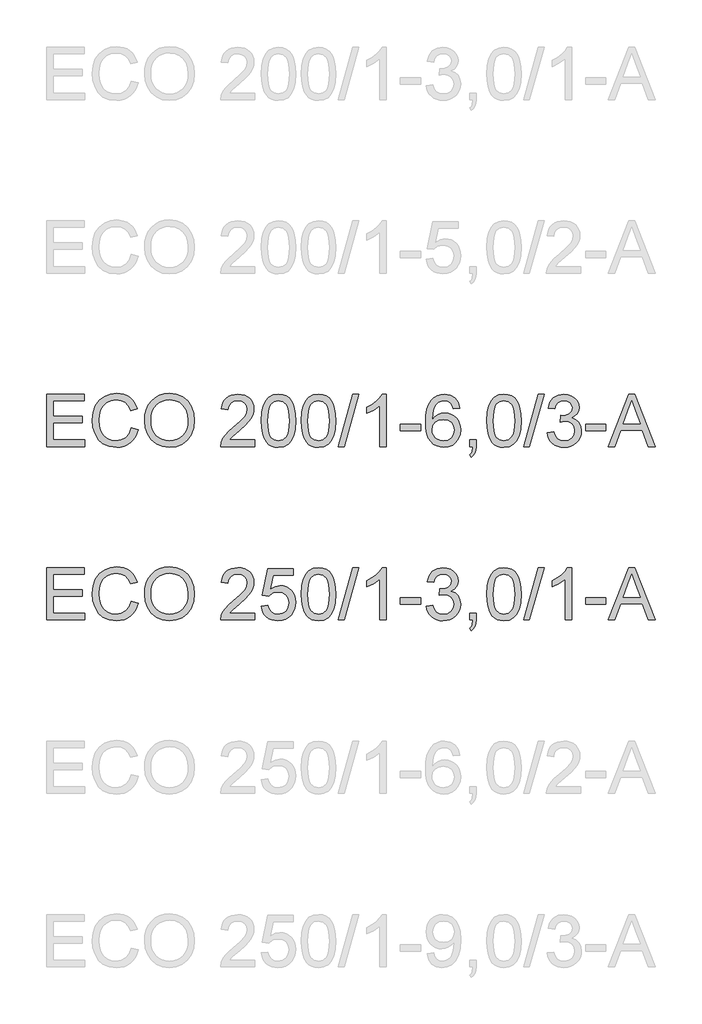
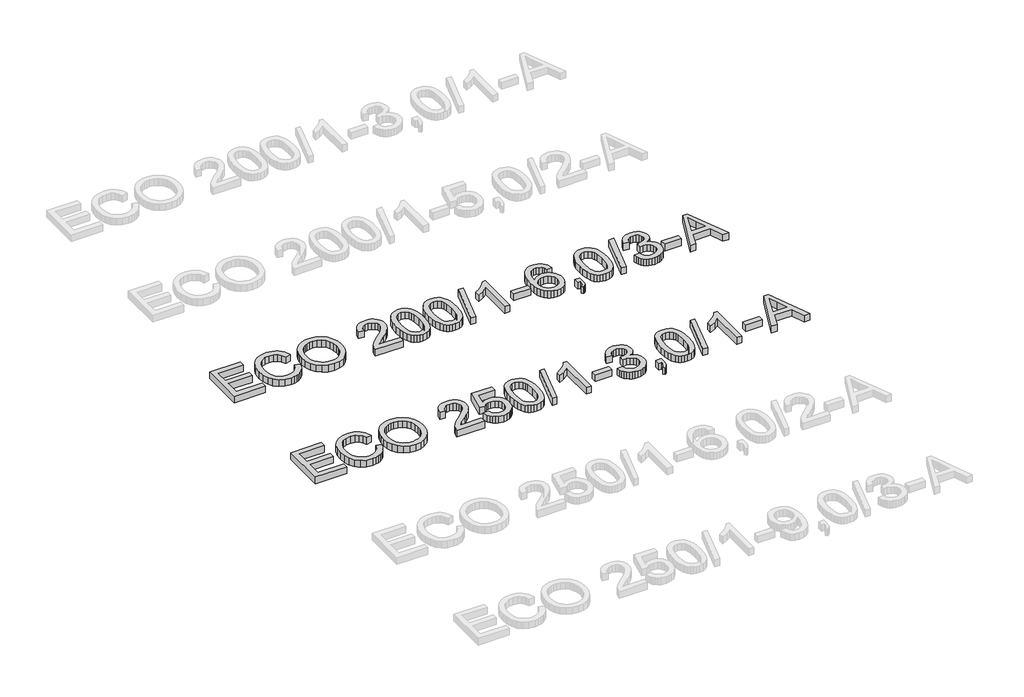
# One storey, part 31 of 74: 2 proxies.
"""IFC4 building model written with IfcOpenShell, lengths in millimetres."""

import ifcopenshell
import ifcopenshell.guid

model = None  # the IFC model being written
_history = None  # IfcOwnerHistory: only IFC2X3 demands one
_inside = {}  # id of a spatial element -> (the spatial element, [elements in it])
_under = {}  # id of a project, library or spatial element -> (it, [spatial elements below it])
_declared = {}  # id of a project -> (the project, [libraries it declares])
_typed = {}  # id of a type object -> (the type object, [elements of that type])
_made_of = {}  # id of a material, layer set ... -> (it, [elements and type objects made of it])


def new_model(schema):
    """Start an empty IFC model of exactly this schema.

    Asked for "IFC4X3", IfcOpenShell would pick the latest addendum, in which some entities
    have other attributes; the version numbers below select the first issue.
    IFC2X3 requires an IfcOwnerHistory on every rooted entity: one is made here for all.
    """
    global model, _history
    if schema == "IFC4X3":
        model = ifcopenshell.file(schema_version=(4, 3, 0, 0))
    else:
        model = ifcopenshell.file(schema=schema)
    _inside.clear()
    _under.clear()
    _declared.clear()
    _typed.clear()
    _made_of.clear()
    _history = None
    if model.schema == "IFC2X3":
        org = make("IfcOrganization", Name="unknown")
        user = make(
            "IfcPersonAndOrganization",
            ThePerson=make("IfcPerson", FamilyName="unknown"),
            TheOrganization=org,
        )
        app = make(
            "IfcApplication",
            ApplicationDeveloper=org,
            Version="unknown",
            ApplicationFullName="unknown",
            ApplicationIdentifier="unknown",
        )
        _history = make(
            "IfcOwnerHistory",
            OwningUser=user,
            OwningApplication=app,
            ChangeAction="ADDED",
            CreationDate=0,
        )
    return model


def make(cls, **values):
    """One entity of the class cls with the attributes given. An attribute that is None is left unset."""
    return model.create_entity(
        cls, **{name: value for name, value in values.items() if value is not None}
    )


def rooted(cls, **values):
    """An entity with a GlobalId (a new one), such as an element, a storey or a relation."""
    return make(cls, GlobalId=ifcopenshell.guid.new(), OwnerHistory=_history, **values)


def si_unit(unit_type, name, prefix=None):
    """IfcSIUnit, for example si_unit("LENGTHUNIT", "METRE", prefix="MILLI")."""
    return make("IfcSIUnit", UnitType=unit_type, Prefix=prefix, Name=name)


def assignment(units):
    """IfcUnitAssignment: the units of a project."""
    return None if units is None else make("IfcUnitAssignment", Units=units)


def point(xyz):
    """IfcCartesianPoint."""
    return None if xyz is None else make("IfcCartesianPoint", Coordinates=xyz)


def direction(xyz):
    """IfcDirection."""
    return None if xyz is None else make("IfcDirection", DirectionRatios=xyz)


def frame(location, z_axis=None, x_axis=None):
    """IfcAxis2Placement3D, a coordinate frame: its origin and axes. An axis left out is left unset."""
    return make(
        "IfcAxis2Placement3D",
        Location=point(location),
        Axis=direction(z_axis),
        RefDirection=direction(x_axis),
    )


def origin():
    """The frame at (0, 0, 0) with its axes left unset."""
    return frame((0.0, 0.0, 0.0))


def origin_with_axes():
    """The frame at (0, 0, 0) with the z axis (0, 0, 1) and the x axis (1, 0, 0) written out."""
    return frame((0.0, 0.0, 0.0), z_axis=(0.0, 0.0, 1.0), x_axis=(1.0, 0.0, 0.0))


def place(relative_to, where):
    """IfcLocalPlacement: puts the frame where relative to a parent placement (None: the world)."""
    return make(
        "IfcLocalPlacement", PlacementRelTo=relative_to, RelativePlacement=where
    )


def context(
    kind, dimensions, precision=None, world=None, true_north=None, identifier=None
):
    """IfcGeometricRepresentationContext, for example the 3D "Model" context."""
    return make(
        "IfcGeometricRepresentationContext",
        ContextIdentifier=identifier,
        ContextType=kind,
        CoordinateSpaceDimension=dimensions,
        Precision=precision,
        WorldCoordinateSystem=world,
        TrueNorth=true_north,
    )


def project(units=None, contexts=None):
    """IfcProject with its units and contexts."""
    return rooted(
        "IfcProject",
        Name="project",
        RepresentationContexts=contexts,
        UnitsInContext=assignment(units),
    )


def spatial(cls, under=None, at=None, **own):
    """A site, building, storey or space (cls), placed at a placement, below another one or the project."""
    s = rooted(cls, ObjectPlacement=at, **own)
    if under is not None:
        _under.setdefault(under.id(), (under, []))[1].append(s)
    return s


def polyline(points):
    """IfcPolyline through the points."""
    return make("IfcPolyline", Points=[point(p) for p in points])


def outline(outer, holes=None, kind="AREA"):
    """IfcArbitraryClosedProfileDef: a profile drawn as a closed curve; with holes, ...WithVoids."""
    if holes is None:
        return make("IfcArbitraryClosedProfileDef", ProfileType=kind, OuterCurve=outer)
    return make(
        "IfcArbitraryProfileDefWithVoids",
        ProfileType=kind,
        OuterCurve=outer,
        InnerCurves=holes,
    )


def extrude(swept, where, along, depth):
    """IfcExtrudedAreaSolid: the profile swept, set in the frame where, extruded along a direction by depth."""
    return make(
        "IfcExtrudedAreaSolid",
        SweptArea=swept,
        Position=where,
        ExtrudedDirection=direction(along),
        Depth=depth,
    )


def shape(context_of_items, identifier, shape_type, items):
    """IfcShapeRepresentation: the items that make up one representation, for example the "Body"."""
    return make(
        "IfcShapeRepresentation",
        ContextOfItems=context_of_items,
        RepresentationIdentifier=identifier,
        RepresentationType=shape_type,
        Items=items,
    )


def made_of(thing, what):
    """Note that an element or type object is made of a material, layer set ...; save() writes the relation."""
    if what is not None:
        _made_of.setdefault(what.id(), (what, []))[1].append(thing)
    return thing


def element(
    cls,
    number,
    at=None,
    inside=None,
    cuts=None,
    type_object=None,
    material=None,
    context=None,
    identifier="Body",
    shape_type=None,
    held_by="IfcProductDefinitionShape",
    body=None,
    shapes=None,
    **own,
):
    """One element of the class cls, such as IfcWall. Its Tag is "e" and its number.

    at: its placement. inside: the storey or other place that contains it. cuts: it is an
    opening in that element (IfcRelVoidsElement). A single representation is given by context,
    identifier, shape_type and body (its items); several are given by shapes. held_by: the class
    of the entity that holds the representations. save() writes the other relations.
    """
    e = rooted(cls, Tag="e%d" % number, ObjectPlacement=at, **own)
    if body is not None:
        shapes = [shape(context, identifier, shape_type, body)]
    if shapes is not None:
        e.Representation = make(held_by, Representations=shapes)
    if inside is not None:
        _inside.setdefault(inside.id(), (inside, []))[1].append(e)
    if cuts is not None:
        rooted(
            "IfcRelVoidsElement", RelatingBuildingElement=cuts, RelatedOpeningElement=e
        )
    if type_object is not None:
        _typed.setdefault(type_object.id(), (type_object, []))[1].append(e)
    return made_of(e, material)


def aggregate(whole, parts):
    """IfcRelAggregates: a whole, such as a stair, and the parts it consists of."""
    return rooted("IfcRelAggregates", RelatingObject=whole, RelatedObjects=parts)


def save(model, path):
    """Write the relations noted so far, then the file.

    IfcRelAggregates (storeys below a building ...), IfcRelContainedInSpatialStructure (elements
    in a storey), IfcRelDefinesByType, IfcRelAssociatesMaterial and IfcRelDeclares: one each for
    every whole, place, type object, material and project.
    """
    for whole, parts in _under.values():
        aggregate(whole, parts)
    for where, things in _inside.values():
        rooted(
            "IfcRelContainedInSpatialStructure",
            RelatedElements=things,
            RelatingStructure=where,
        )
    for kind, things in _typed.values():
        rooted("IfcRelDefinesByType", RelatedObjects=things, RelatingType=kind)
    for what, things in _made_of.values():
        rooted("IfcRelAssociatesMaterial", RelatedObjects=things, RelatingMaterial=what)
    for by, libraries in _declared.values():
        rooted("IfcRelDeclares", RelatingContext=by, RelatedDefinitions=libraries)
    model.write(path)


model = new_model("IFC4")

# Units and contexts
model_context = context("Model", 3, world=origin())
ifc_project = project(units=[si_unit("LENGTHUNIT", "METRE", prefix="MILLI")], contexts=[model_context])

# Site, building, storey
site = spatial("IfcSite", under=ifc_project)
building = spatial("IfcBuilding", under=site)
storey = spatial("IfcBuildingStorey", under=building, Elevation=0.0)

# Proxies
placement = place(None, origin())
element("IfcBuildingElementProxy", 1, Name="Generic Models", at=placement, inside=storey, context=model_context, shape_type="SweptSolid", body=[
    extrude(outline(polyline([(11765.719536, -9906.2904473), (11765.719536, -9604.9215169), (11982.3284547, -9604.9215169), (11982.3284547, -9642.5926332), (11803.3906523, -9642.5926332), (11803.3906523, -9732.0615344), (11972.9106757, -9732.0615344), (11972.9106757, -9769.7326507), (11803.3906523, -9769.7326507), (11803.3906523, -9868.619331), (11987.0373443, -9868.619331), (11987.0373443, -9906.2904473), (11765.719536, -9906.2904473)])), origin_with_axes(), (0.0, 0.0, 1.0), 50.0),
    extrude(outline(polyline([(12255.444048, -9799.1632103), (12293.1151643, -9808.875295), (12285.6609553, -9832.3024803), (12275.73274, -9852.7728141), (12263.3305182, -9870.2862963), (12248.4542901, -9884.842927), (12231.4397478, -9896.2863563), (12212.6225837, -9904.4602344), (12192.0027979, -9909.3645613), (12169.5803903, -9910.9993369), (12125.8852063, -9906.051324), (12091.1847371, -9891.2072855), (12064.5868689, -9866.9822562), (12045.1994877, -9833.8912707), (12033.3628845, -9794.9877497), (12029.4173501, -9753.3251137), (12033.8779193, -9709.3816094), (12047.2596269, -9671.4345816), (12068.8634971, -9640.6888439), (12097.990554, -9618.3492097), (12132.5346734, -9604.7467729), (12170.3897307, -9600.2126274), (12211.6936817, -9606.0803452), (12229.6624179, -9613.4149925), (12245.8423279, -9623.6834986), (12259.9666972, -9636.6145508), (12271.7688115, -9651.9368359), (12288.4062747, -9689.755105), (12250.7351584, -9698.7314257), (12237.6753476, -9671.2598377), (12219.8330708, -9652.4150825), (12196.9875989, -9641.5165784), (12168.9182027, -9637.8837437), (12136.5629812, -9641.9120515), (12109.9835071, -9653.996975), (12089.8143767, -9672.8693214), (12076.6901865, -9697.2598977), (12069.4888964, -9724.8326532), (12067.0884664, -9753.2515373), (12069.9303548, -9788.0531741), (12078.4560201, -9818.1459213), (12092.9873589, -9842.3801477), (12113.846268, -9859.6062222), (12138.8530466, -9869.897721), (12165.8279939, -9873.3282206), (12197.2727075, -9868.6561192), (12223.4751026, -9854.6398152), (12243.2579569, -9831.4264613), (12255.444048, -9799.1632103)])), origin_with_axes(), (0.0, 0.0, 1.0), 50.0),
    extrude(outline(polyline([(12330.7862806, -9759.5791077), (12333.2970752, -9724.2302465), (12340.829459, -9692.9372842), (12353.3834321, -9665.700221), (12370.9589944, -9642.5190568), (12392.5030838, -9624.0099939), (12416.9626379, -9610.7892347), (12444.3376569, -9602.8567792), (12474.6281407, -9600.2126274), (12514.1570611, -9605.1790343), (12549.6024913, -9620.0782551), (12579.0330509, -9643.8618261), (12600.5173594, -9675.4812836), (12613.6507467, -9713.4099173), (12618.0285424, -9756.1210169), (12613.4208204, -9799.4023336), (12599.5976544, -9837.8643962), (12577.3223996, -9869.539036), (12547.3584111, -9892.4580843), (12512.2164835, -9906.3640237), (12474.4074115, -9910.9993369), (12434.2714858, -9905.8765801), (12398.6237205, -9890.5083097), (12369.2667373, -9866.2832804), (12348.0031579, -9834.5902465), (12335.0904999, -9798.1239437), (12330.7862806, -9759.5791077)]), holes=[polyline([(12368.4573969, -9759.9469897), (12370.3404928, -9784.9215786), (12375.9897807, -9807.0910673), (12385.4052605, -9826.4554559), (12398.5869323, -9843.0147442), (12414.6104924, -9856.2768901), (12432.5516375, -9865.7498515), (12452.4103674, -9871.4336283), (12474.1866823, -9873.3282206), (12496.3354777, -9871.4152342), (12516.4287324, -9865.6762751), (12534.4664465, -9856.1113432), (12550.4486199, -9842.7204386), (12563.5337226, -9825.8116624), (12572.8802245, -9805.6931158), (12578.4881257, -9782.3647987), (12580.3574261, -9755.8267113), (12577.1568527, -9722.4782085), (12567.5551327, -9693.6546541), (12551.8005862, -9670.0826153), (12530.1415338, -9652.4886589), (12504.0127151, -9641.5349725), (12474.8488699, -9637.8837437), (12453.8290124, -9639.6426794), (12434.3266681, -9644.9194868), (12416.3418371, -9653.7141658), (12399.8745193, -9666.0267163), (12386.1295282, -9682.4503481), (12376.3116775, -9703.5782709), (12370.420967, -9729.4104848), (12368.4573969, -9759.9469897)])]), origin_with_axes(), (0.0, 0.0, 1.0), 50.0),
    extrude(outline(polyline([(12966.4863682, -9868.619331), (12966.4863682, -9906.2904473), (12768.7130076, -9906.2904473), (12772.7597096, -9880.3179785), (12782.04873, -9860.0200894), (12795.6419697, -9840.3292056), (12815.3052623, -9819.7186168), (12842.8044415, -9796.6616128), (12883.4554019, -9760.553995), (12907.8459782, -9733.9009444), (12920.0412663, -9712.2694831), (12924.1063624, -9691.226633), (12920.2711926, -9672.3634837), (12908.7656832, -9656.6825136), (12891.0797563, -9646.1151033), (12868.7033339, -9642.5926332), (12845.2048715, -9646.0323299), (12826.9487275, -9656.3514198), (12815.1673066, -9672.7405627), (12811.0930135, -9694.3904181), (12773.4218972, -9689.6815286), (12782.5545677, -9653.242817), (12791.1009263, -9638.7068796), (12802.3006338, -9626.6265546), (12815.8961728, -9617.1306006), (12831.6300259, -9610.3477763), (12869.5126743, -9604.9215169), (12889.7024981, -9606.4298331), (12907.6712343, -9610.9547816), (12923.4188829, -9618.4963625), (12936.945444, -9629.0545758), (12947.8094592, -9641.8476722), (12955.56947, -9656.0939024), (12960.2254765, -9671.7932666), (12961.7774787, -9688.9457646), (12960.1036156, -9706.9627853), (12955.0820264, -9724.6671063), (12946.1700851, -9742.67493), (12932.8251657, -9761.6024586), (12911.5523893, -9784.1996102), (12878.856877, -9813.2163026), (12835.520378, -9849.4526791), (12818.5242298, -9868.619331), (12966.4863682, -9868.619331)])), origin_with_axes(), (0.0, 0.0, 1.0), 50.0),
    extrude(outline(polyline([(13004.1574845, -9758.0340033), (13006.9257966, -9709.7954767), (13015.2307326, -9671.324217), (13028.9895192, -9642.0316132), (13048.119383, -9621.3290539), (13072.7582796, -9609.0234011), (13103.0441648, -9604.9215169), (13126.2575187, -9607.3495381), (13147.0428515, -9614.6336016), (13164.4252757, -9626.4885989), (13177.4299043, -9642.6294214), (13187.2523535, -9662.9181134), (13195.08824, -9687.2167192), (13200.2201939, -9718.0728216), (13201.9308451, -9758.0340033), (13199.1901243, -9805.9966184), (13190.9679617, -9844.3759076), (13177.2919485, -9873.6961026), (13158.1896759, -9894.4814353), (13133.495597, -9906.8698615), (13103.0441648, -9910.9993369), (13082.2956203, -9909.2059122), (13063.9015206, -9903.825638), (13047.8618656, -9894.8585143), (13034.1766553, -9882.3045413), (13021.0432681, -9859.6108207), (13011.6622772, -9831.3344908), (13006.0336827, -9797.4755517), (13004.1574845, -9758.0340033)]), holes=[polyline([(13041.8286008, -9757.9604269), (13046.2431848, -9817.2170193), (13051.7614147, -9837.4850179), (13059.4869366, -9851.5128183), (13079.2054116, -9867.87437), (13103.0441648, -9873.3282206), (13126.8829181, -9867.8559759), (13146.6013931, -9851.4392419), (13154.326915, -9837.3884489), (13159.8451449, -9817.1250488), (13164.2597288, -9757.9604269), (13159.9922977, -9700.0374067), (13154.6580088, -9679.8360867), (13147.1900043, -9665.4748933), (13127.5083175, -9648.3131982), (13102.6027065, -9642.5926332), (13079.0214706, -9647.6326165), (13060.0755478, -9662.7525665), (13052.0925085, -9678.3875513), (13046.3903376, -9699.4671897), (13041.8286008, -9757.9604269)])]), origin_with_axes(), (0.0, 0.0, 1.0), 50.0),
    extrude(outline(polyline([(13234.8930719, -9758.0340033), (13237.6613839, -9709.7954767), (13245.96632, -9671.324217), (13259.7251066, -9642.0316132), (13278.8549703, -9621.3290539), (13303.493867, -9609.0234011), (13333.7797522, -9604.9215169), (13356.9931061, -9607.3495381), (13377.7784388, -9614.6336016), (13395.1608631, -9626.4885989), (13408.1654916, -9642.6294214), (13417.9879409, -9662.9181134), (13425.8238274, -9687.2167192), (13430.9557812, -9718.0728216), (13432.6664325, -9758.0340033), (13429.9257117, -9805.9966184), (13421.7035491, -9844.3759076), (13408.0275359, -9873.6961026), (13388.9252633, -9894.4814353), (13364.2311844, -9906.8698615), (13333.7797522, -9910.9993369), (13313.0312077, -9909.2059122), (13294.6371079, -9903.825638), (13278.5974529, -9894.8585143), (13264.9122427, -9882.3045413), (13251.7788555, -9859.6108207), (13242.3978646, -9831.3344908), (13236.7692701, -9797.4755517), (13234.8930719, -9758.0340033)]), holes=[polyline([(13272.5641882, -9757.9604269), (13276.9787722, -9817.2170193), (13282.4970021, -9837.4850179), (13290.222524, -9851.5128183), (13309.9409989, -9867.87437), (13333.7797522, -9873.3282206), (13357.6185055, -9867.8559759), (13377.3369805, -9851.4392419), (13385.0625023, -9837.3884489), (13390.5807323, -9817.1250488), (13394.9953162, -9757.9604269), (13390.7278851, -9700.0374067), (13385.3935961, -9679.8360867), (13377.9255916, -9665.4748933), (13358.2439049, -9648.3131982), (13333.3382938, -9642.5926332), (13309.7570579, -9647.6326165), (13290.8111352, -9662.7525665), (13282.8280959, -9678.3875513), (13277.125925, -9699.4671897), (13272.5641882, -9757.9604269)])]), origin_with_axes(), (0.0, 0.0, 1.0), 50.0),
    extrude(outline(polyline([(13446.7931011, -9906.2904473), (13531.5531128, -9604.9215169), (13565.5454092, -9604.9215169), (13480.7853975, -9906.2904473), (13446.7931011, -9906.2904473)])), origin_with_axes(), (0.0, 0.0, 1.0), 50.0),
    extrude(outline(polyline([(13724.6175839, -9906.2904473), (13686.9464676, -9906.2904473), (13686.9464676, -9671.4345816), (13651.2619141, -9696.8552275), (13611.604235, -9715.8747266), (13611.604235, -9680.2637495), (13641.1911444, -9664.1689122), (13666.8233225, -9645.0206544), (13687.029241, -9624.6583859), (13700.3373722, -9604.9215169), (13724.6175839, -9604.9215169), (13724.6175839, -9906.2904473)])), origin_with_axes(), (0.0, 0.0, 1.0), 50.0),
    extrude(outline(polyline([(13804.668706, -9816.8215461), (13804.668706, -9779.1504298), (13922.3909445, -9779.1504298), (13922.3909445, -9816.8215461), (13804.668706, -9816.8215461)])), origin_with_axes(), (0.0, 0.0, 1.0), 50.0),
    extrude(outline(polyline([(14148.4176423, -9684.972639), (14110.746526, -9689.6815286), (14104.6764731, -9671.0115173), (14096.4727046, -9658.2644062), (14079.3845859, -9646.5105764), (14058.7280119, -9642.5926332), (14041.2168289, -9644.8735016), (14024.7357156, -9651.7161067), (14010.5814558, -9666.1278838), (13999.0207641, -9685.9659204), (13991.2124688, -9714.0261196), (13988.315398, -9753.1043845), (14003.426151, -9735.4736399), (14021.5351422, -9723.0484255), (14041.6306962, -9715.6815886), (14062.7011375, -9713.2259763), (14080.8009316, -9714.9044379), (14097.5027742, -9719.9398227), (14112.8066652, -9728.3321307), (14126.7126046, -9740.0813619), (14138.2686978, -9754.4885406), (14146.5230501, -9770.8546908), (14151.4756614, -9789.1798127), (14153.1265319, -9809.4639062), (14150.017929, -9836.4388535), (14140.6921204, -9861.4456321), (14125.9216583, -9882.6540292), (14106.4790949, -9898.2338316), (14083.2473469, -9907.8079606), (14057.1093311, -9910.9993369), (14034.6524346, -9908.8840154), (14014.3706403, -9902.538051), (13996.2639484, -9891.9614436), (13980.3323587, -9877.1541933), (13967.3438251, -9857.4909007), (13958.066301, -9832.3461663), (13952.4997865, -9801.7199902), (13950.6442817, -9765.6123724), (13952.7044209, -9725.1315573), (13958.8848384, -9690.5828395), (13969.1855343, -9661.9662188), (13983.6065085, -9639.2816952), (13999.2368948, -9624.2491172), (14017.3596816, -9613.5115615), (14037.9748689, -9607.069028), (14061.0824567, -9604.9215169), (14094.136654, -9610.2374117), (14120.6057635, -9626.1850962), (14139.1470161, -9651.5137716), (14148.4176423, -9684.972639)]), holes=[polyline([(13988.315398, -9808.875295), (13990.4950989, -9825.5679405), (13997.0342013, -9841.506428), (14007.1877444, -9855.2100323), (14020.210767, -9865.1980285), (14035.9285253, -9871.2956725), (14054.1662752, -9873.3282206), (14079.025901, -9869.1159717), (14098.569632, -9856.4792252), (14111.2339697, -9836.6135975), (14115.4554156, -9810.714705), (14111.289152, -9785.8550792), (14098.7903612, -9766.8999594), (14078.9155364, -9754.8978093), (14052.6211708, -9750.8970926), (14027.7983332, -9754.8978093), (14007.0405916, -9766.8999594), (13992.9966964, -9785.3952267), (13988.315398, -9808.875295)])]), origin_with_axes(), (0.0, 0.0, 1.0), 50.0),
    extrude(outline(polyline([(14204.9243168, -9906.2904473), (14204.9243168, -9868.619331), (14242.5954331, -9868.619331), (14242.5954331, -9906.2904473), (14240.9031759, -9927.8391352), (14235.8264044, -9944.8076922), (14227.0708129, -9957.8215178), (14214.3420959, -9967.5060113), (14204.9243168, -9953.3793427), (14213.0912971, -9946.5551317), (14218.7566798, -9937.1189585), (14223.6862986, -9906.2904473), (14204.9243168, -9906.2904473)])), origin_with_axes(), (0.0, 0.0, 1.0), 50.0),
    extrude(outline(polyline([(14303.8109971, -9758.0340033), (14306.5793091, -9709.7954767), (14314.8842452, -9671.324217), (14328.6430318, -9642.0316132), (14347.7728955, -9621.3290539), (14372.4117922, -9609.0234011), (14402.6976774, -9604.9215169), (14425.9110313, -9607.3495381), (14446.696364, -9614.6336016), (14464.0787883, -9626.4885989), (14477.0834168, -9642.6294214), (14486.9058661, -9662.9181134), (14494.7417526, -9687.2167192), (14499.8737064, -9718.0728216), (14501.5843577, -9758.0340033), (14498.8436368, -9805.9966184), (14490.6214743, -9844.3759076), (14476.9454611, -9873.6961026), (14457.8431885, -9894.4814353), (14433.1491096, -9906.8698615), (14402.6976774, -9910.9993369), (14381.9491329, -9909.2059122), (14363.5550331, -9903.825638), (14347.5153781, -9894.8585143), (14333.8301679, -9882.3045413), (14320.6967807, -9859.6108207), (14311.3157898, -9831.3344908), (14305.6871953, -9797.4755517), (14303.8109971, -9758.0340033)]), holes=[polyline([(14341.4821134, -9757.9604269), (14345.8966974, -9817.2170193), (14351.4149273, -9837.4850179), (14359.1404492, -9851.5128183), (14378.8589241, -9867.87437), (14402.6976774, -9873.3282206), (14426.5364307, -9867.8559759), (14446.2549056, -9851.4392419), (14453.9804275, -9837.3884489), (14459.4986575, -9817.1250488), (14463.9132414, -9757.9604269), (14459.6458103, -9700.0374067), (14454.3115213, -9679.8360867), (14446.8435168, -9665.4748933), (14427.1618301, -9648.3131982), (14402.256219, -9642.5926332), (14378.6749831, -9647.6326165), (14359.7290604, -9662.7525665), (14351.7460211, -9678.3875513), (14346.0438501, -9699.4671897), (14341.4821134, -9757.9604269)])]), origin_with_axes(), (0.0, 0.0, 1.0), 50.0),
    extrude(outline(polyline([(14515.7110263, -9906.2904473), (14600.471038, -9604.9215169), (14634.4633344, -9604.9215169), (14549.7033227, -9906.2904473), (14515.7110263, -9906.2904473)])), origin_with_axes(), (0.0, 0.0, 1.0), 50.0),
    extrude(outline(polyline([(14652.2688229, -9826.2393252), (14689.9399392, -9821.5304357), (14698.373634, -9845.203642), (14710.725272, -9861.1881147), (14727.6018585, -9870.2931941), (14749.6103989, -9873.3282206), (14775.4357149, -9869.1527599), (14795.3749191, -9856.626378), (14808.1220302, -9837.9379726), (14812.3710672, -9815.2764417), (14808.1588184, -9793.7645421), (14795.5220719, -9776.3177384), (14776.3922081, -9764.7570467), (14752.7006076, -9760.9034828), (14726.2866804, -9765.0237612), (14730.4805351, -9727.3526449), (14736.5137998, -9727.7941033), (14759.0833602, -9725.0901706), (14779.2616877, -9716.9783726), (14793.4987209, -9703.2563742), (14798.2443986, -9683.7218403), (14794.804702, -9667.452259), (14784.485612, -9654.2544924), (14768.7402626, -9645.508098), (14749.0217877, -9642.5926332), (14729.2665245, -9645.5356892), (14713.1165049, -9654.364857), (14701.325887, -9669.0801369), (14694.6488288, -9689.6815286), (14656.9777125, -9684.972639), (14668.0693546, -9651.1458896), (14687.8062237, -9625.8907906), (14714.8087621, -9610.1638353), (14747.6974125, -9604.9215169), (14771.3798159, -9607.5058879), (14793.1308389, -9615.259001), (14811.4697563, -9627.4910773), (14824.9158433, -9643.5123382), (14833.165597, -9661.9708173), (14835.9155149, -9681.5145483), (14833.3035528, -9699.724707), (14825.4676663, -9716.2426086), (14812.51822, -9730.3140949), (14794.5655787, -9741.1850079), (14818.1468146, -9750.7131516), (14835.6212093, -9766.9367476), (14846.43694, -9788.9728791), (14850.0421835, -9815.9386293), (14848.2395618, -9835.050099), (14842.8316964, -9852.6532524), (14833.8185876, -9868.7480897), (14821.2002351, -9883.3346108), (14805.8273662, -9895.4379285), (14788.550708, -9904.0831554), (14769.3702605, -9909.2702915), (14748.2860237, -9910.9993369), (14729.2297363, -9909.5232104), (14711.8657062, -9905.0948309), (14696.1939332, -9897.7141983), (14682.2144173, -9887.3813128), (14670.4927773, -9874.7031795), (14661.5946315, -9860.2868038), (14655.5199801, -9844.1321857), (14652.2688229, -9826.2393252)])), origin_with_axes(), (0.0, 0.0, 1.0), 50.0),
    extrude(outline(polyline([(14873.5866312, -9816.8215461), (14873.5866312, -9779.1504298), (14991.3088697, -9779.1504298), (14991.3088697, -9816.8215461), (14873.5866312, -9816.8215461)])), origin_with_axes(), (0.0, 0.0, 1.0), 50.0),
    extrude(outline(polyline([(15003.3018227, -9906.2904473), (15123.5992352, -9604.9215169), (15155.6785451, -9604.9215169), (15275.9759576, -9906.2904473), (15236.1711257, -9906.2904473), (15201.6637945, -9812.1126566), (15077.5404094, -9812.1126566), (15043.1066546, -9906.2904473), (15003.3018227, -9906.2904473)]), holes=[polyline([(15091.3727724, -9774.4415403), (15187.9050079, -9774.4415403), (15160.7553167, -9700.3501064), (15139.6388901, -9642.5926332), (15120.8769084, -9693.8753833), (15091.3727724, -9774.4415403)])]), origin_with_axes(), (0.0, 0.0, 1.0), 50.0),
])
element("IfcBuildingElementProxy", 2, Name="Generic Models", at=placement, inside=storey, context=model_context, shape_type="SweptSolid", body=[
    extrude(outline(polyline([(11765.719536, -10906.2904473), (11765.719536, -10604.9215169), (11982.3284547, -10604.9215169), (11982.3284547, -10642.5926332), (11803.3906523, -10642.5926332), (11803.3906523, -10732.0615344), (11972.9106757, -10732.0615344), (11972.9106757, -10769.7326507), (11803.3906523, -10769.7326507), (11803.3906523, -10868.619331), (11987.0373443, -10868.619331), (11987.0373443, -10906.2904473), (11765.719536, -10906.2904473)])), origin_with_axes(), (0.0, 0.0, 1.0), 50.0),
    extrude(outline(polyline([(12255.444048, -10799.1632103), (12293.1151643, -10808.875295), (12285.6609553, -10832.3024803), (12275.73274, -10852.7728141), (12263.3305182, -10870.2862963), (12248.4542901, -10884.842927), (12231.4397478, -10896.2863563), (12212.6225837, -10904.4602344), (12192.0027979, -10909.3645613), (12169.5803903, -10910.9993369), (12125.8852063, -10906.051324), (12091.1847371, -10891.2072855), (12064.5868689, -10866.9822562), (12045.1994877, -10833.8912707), (12033.3628845, -10794.9877497), (12029.4173501, -10753.3251137), (12033.8779193, -10709.3816094), (12047.2596269, -10671.4345816), (12068.8634971, -10640.6888439), (12097.990554, -10618.3492097), (12132.5346734, -10604.7467729), (12170.3897307, -10600.2126274), (12211.6936817, -10606.0803452), (12229.6624179, -10613.4149925), (12245.8423279, -10623.6834986), (12259.9666972, -10636.6145508), (12271.7688115, -10651.9368359), (12288.4062747, -10689.755105), (12250.7351584, -10698.7314257), (12237.6753476, -10671.2598377), (12219.8330708, -10652.4150825), (12196.9875989, -10641.5165784), (12168.9182027, -10637.8837437), (12136.5629812, -10641.9120515), (12109.9835071, -10653.996975), (12089.8143767, -10672.8693214), (12076.6901865, -10697.2598977), (12069.4888964, -10724.8326532), (12067.0884664, -10753.2515373), (12069.9303548, -10788.0531741), (12078.4560201, -10818.1459213), (12092.9873589, -10842.3801477), (12113.846268, -10859.6062222), (12138.8530466, -10869.897721), (12165.8279939, -10873.3282206), (12197.2727075, -10868.6561192), (12223.4751026, -10854.6398152), (12243.2579569, -10831.4264613), (12255.444048, -10799.1632103)])), origin_with_axes(), (0.0, 0.0, 1.0), 50.0),
    extrude(outline(polyline([(12330.7862806, -10759.5791077), (12333.2970752, -10724.2302465), (12340.829459, -10692.9372842), (12353.3834321, -10665.700221), (12370.9589944, -10642.5190568), (12392.5030838, -10624.0099939), (12416.9626379, -10610.7892347), (12444.3376569, -10602.8567792), (12474.6281407, -10600.2126274), (12514.1570611, -10605.1790343), (12549.6024913, -10620.0782551), (12579.0330509, -10643.8618261), (12600.5173594, -10675.4812836), (12613.6507467, -10713.4099173), (12618.0285424, -10756.1210169), (12613.4208204, -10799.4023336), (12599.5976544, -10837.8643962), (12577.3223996, -10869.539036), (12547.3584111, -10892.4580843), (12512.2164835, -10906.3640237), (12474.4074115, -10910.9993369), (12434.2714858, -10905.8765801), (12398.6237205, -10890.5083097), (12369.2667373, -10866.2832804), (12348.0031579, -10834.5902465), (12335.0904999, -10798.1239437), (12330.7862806, -10759.5791077)]), holes=[polyline([(12368.4573969, -10759.9469897), (12370.3404928, -10784.9215786), (12375.9897807, -10807.0910673), (12385.4052605, -10826.4554559), (12398.5869323, -10843.0147442), (12414.6104924, -10856.2768901), (12432.5516375, -10865.7498515), (12452.4103674, -10871.4336283), (12474.1866823, -10873.3282206), (12496.3354777, -10871.4152342), (12516.4287324, -10865.6762751), (12534.4664465, -10856.1113432), (12550.4486199, -10842.7204386), (12563.5337226, -10825.8116624), (12572.8802245, -10805.6931158), (12578.4881257, -10782.3647987), (12580.3574261, -10755.8267113), (12577.1568527, -10722.4782085), (12567.5551327, -10693.6546541), (12551.8005862, -10670.0826153), (12530.1415338, -10652.4886589), (12504.0127151, -10641.5349725), (12474.8488699, -10637.8837437), (12453.8290124, -10639.6426794), (12434.3266681, -10644.9194868), (12416.3418371, -10653.7141658), (12399.8745193, -10666.0267163), (12386.1295282, -10682.4503481), (12376.3116775, -10703.5782709), (12370.420967, -10729.4104848), (12368.4573969, -10759.9469897)])]), origin_with_axes(), (0.0, 0.0, 1.0), 50.0),
    extrude(outline(polyline([(12966.4863682, -10868.619331), (12966.4863682, -10906.2904473), (12768.7130076, -10906.2904473), (12772.7597096, -10880.3179785), (12782.04873, -10860.0200894), (12795.6419697, -10840.3292056), (12815.3052623, -10819.7186168), (12842.8044415, -10796.6616128), (12883.4554019, -10760.553995), (12907.8459782, -10733.9009444), (12920.0412663, -10712.2694831), (12924.1063624, -10691.226633), (12920.2711926, -10672.3634837), (12908.7656832, -10656.6825136), (12891.0797563, -10646.1151033), (12868.7033339, -10642.5926332), (12845.2048715, -10646.0323299), (12826.9487275, -10656.3514198), (12815.1673066, -10672.7405627), (12811.0930135, -10694.3904181), (12773.4218972, -10689.6815286), (12782.5545677, -10653.242817), (12791.1009263, -10638.7068796), (12802.3006338, -10626.6265546), (12815.8961728, -10617.1306006), (12831.6300259, -10610.3477763), (12869.5126743, -10604.9215169), (12889.7024981, -10606.4298331), (12907.6712343, -10610.9547816), (12923.4188829, -10618.4963625), (12936.945444, -10629.0545758), (12947.8094592, -10641.8476722), (12955.56947, -10656.0939024), (12960.2254765, -10671.7932666), (12961.7774787, -10688.9457646), (12960.1036156, -10706.9627853), (12955.0820264, -10724.6671063), (12946.1700851, -10742.67493), (12932.8251657, -10761.6024586), (12911.5523893, -10784.1996102), (12878.856877, -10813.2163026), (12835.520378, -10849.4526791), (12818.5242298, -10868.619331), (12966.4863682, -10868.619331)])), origin_with_axes(), (0.0, 0.0, 1.0), 50.0),
    extrude(outline(polyline([(13004.1574845, -10826.2393252), (13041.8286008, -10821.5304357), (13048.7447824, -10844.1459813), (13060.8113118, -10860.3419861), (13077.9730069, -10870.081662), (13100.1746853, -10873.3282206), (13127.1772237, -10868.8124691), (13147.4107335, -10855.2652146), (13160.04748, -10834.2499556), (13164.2597288, -10807.3301906), (13160.3141944, -10781.9831212), (13148.4775913, -10762.59574), (13128.6579488, -10750.2900873), (13100.7632965, -10746.188203), (13082.4887584, -10747.8252779), (13067.6907051, -10752.7365026), (13046.5374904, -10769.7326507), (13008.8663741, -10765.0237612), (13041.8286008, -10609.6304064), (13187.8041765, -10609.6304064), (13187.8041765, -10647.3015227), (13072.28923, -10647.3015227), (13056.1759987, -10730.2957008), (13083.0865666, -10713.9617403), (13111.2847215, -10708.5170867), (13129.6305368, -10710.2047454), (13146.4818314, -10715.2677213), (13161.8386055, -10723.7060146), (13175.7008589, -10735.5196252), (13187.1764779, -10749.9865846), (13195.3733486, -10766.3849246), (13200.291471, -10784.714645), (13201.9308451, -10804.9757459), (13196.0263391, -10842.6468622), (13188.6457066, -10859.4406753), (13178.3128211, -10874.873325), (13162.6594422, -10890.6784552), (13144.3941011, -10901.9678339), (13123.5167979, -10908.7414611), (13100.0275325, -10910.9993369), (13063.0278008, -10905.1959984), (13047.34913, -10897.9418253), (13033.551256, -10887.785983), (13022.0710384, -10875.2343092), (13013.3453374, -10860.7926416), (13004.1574845, -10826.2393252)])), origin_with_axes(), (0.0, 0.0, 1.0), 50.0),
    extrude(outline(polyline([(13234.8930719, -10758.0340033), (13237.6613839, -10709.7954767), (13245.96632, -10671.324217), (13259.7251066, -10642.0316132), (13278.8549703, -10621.3290539), (13303.493867, -10609.0234011), (13333.7797522, -10604.9215169), (13356.9931061, -10607.3495381), (13377.7784388, -10614.6336016), (13395.1608631, -10626.4885989), (13408.1654916, -10642.6294214), (13417.9879409, -10662.9181134), (13425.8238274, -10687.2167192), (13430.9557812, -10718.0728216), (13432.6664325, -10758.0340033), (13429.9257117, -10805.9966184), (13421.7035491, -10844.3759076), (13408.0275359, -10873.6961026), (13388.9252633, -10894.4814353), (13364.2311844, -10906.8698615), (13333.7797522, -10910.9993369), (13313.0312077, -10909.2059122), (13294.6371079, -10903.825638), (13278.5974529, -10894.8585143), (13264.9122427, -10882.3045413), (13251.7788555, -10859.6108207), (13242.3978646, -10831.3344908), (13236.7692701, -10797.4755517), (13234.8930719, -10758.0340033)]), holes=[polyline([(13272.5641882, -10757.9604269), (13276.9787722, -10817.2170193), (13282.4970021, -10837.4850179), (13290.222524, -10851.5128183), (13309.9409989, -10867.87437), (13333.7797522, -10873.3282206), (13357.6185055, -10867.8559759), (13377.3369805, -10851.4392419), (13385.0625023, -10837.3884489), (13390.5807323, -10817.1250488), (13394.9953162, -10757.9604269), (13390.7278851, -10700.0374067), (13385.3935961, -10679.8360867), (13377.9255916, -10665.4748933), (13358.2439049, -10648.3131982), (13333.3382938, -10642.5926332), (13309.7570579, -10647.6326165), (13290.8111352, -10662.7525665), (13282.8280959, -10678.3875513), (13277.125925, -10699.4671897), (13272.5641882, -10757.9604269)])]), origin_with_axes(), (0.0, 0.0, 1.0), 50.0),
    extrude(outline(polyline([(13446.7931011, -10906.2904473), (13531.5531128, -10604.9215169), (13565.5454092, -10604.9215169), (13480.7853975, -10906.2904473), (13446.7931011, -10906.2904473)])), origin_with_axes(), (0.0, 0.0, 1.0), 50.0),
    extrude(outline(polyline([(13724.6175839, -10906.2904473), (13686.9464676, -10906.2904473), (13686.9464676, -10671.4345816), (13651.2619141, -10696.8552275), (13611.604235, -10715.8747266), (13611.604235, -10680.2637495), (13641.1911444, -10664.1689122), (13666.8233225, -10645.0206544), (13687.029241, -10624.6583859), (13700.3373722, -10604.9215169), (13724.6175839, -10604.9215169), (13724.6175839, -10906.2904473)])), origin_with_axes(), (0.0, 0.0, 1.0), 50.0),
    extrude(outline(polyline([(13804.668706, -10816.8215461), (13804.668706, -10779.1504298), (13922.3909445, -10779.1504298), (13922.3909445, -10816.8215461), (13804.668706, -10816.8215461)])), origin_with_axes(), (0.0, 0.0, 1.0), 50.0),
    extrude(outline(polyline([(13955.3531713, -10826.2393252), (13993.0242876, -10821.5304357), (14001.4579823, -10845.203642), (14013.8096203, -10861.1881147), (14030.6862068, -10870.2931941), (14052.6947472, -10873.3282206), (14078.5200633, -10869.1527599), (14098.4592674, -10856.626378), (14111.2063785, -10837.9379726), (14115.4554156, -10815.2764417), (14111.2431667, -10793.7645421), (14098.6064202, -10776.3177384), (14079.4765564, -10764.7570467), (14055.784956, -10760.9034828), (14029.3710287, -10765.0237612), (14033.5648834, -10727.3526449), (14039.5981482, -10727.7941033), (14062.1677086, -10725.0901706), (14082.346036, -10716.9783726), (14096.5830692, -10703.2563742), (14101.328747, -10683.7218403), (14097.8890503, -10667.452259), (14087.5699603, -10654.2544924), (14071.8246109, -10645.508098), (14052.106136, -10642.5926332), (14032.3508729, -10645.5356892), (14016.2008533, -10654.364857), (14004.4102353, -10669.0801369), (13997.7331771, -10689.6815286), (13960.0620608, -10684.972639), (13971.153703, -10651.1458896), (13990.890572, -10625.8907906), (14017.8931105, -10610.1638353), (14050.7817608, -10604.9215169), (14074.4641643, -10607.5058879), (14096.2151872, -10615.259001), (14114.5541047, -10627.4910773), (14128.0001916, -10643.5123382), (14136.2499454, -10661.9708173), (14138.9998633, -10681.5145483), (14136.3879011, -10699.724707), (14128.5520146, -10716.2426086), (14115.6025684, -10730.3140949), (14097.649927, -10741.1850079), (14121.2311629, -10750.7131516), (14138.7055577, -10766.9367476), (14149.5212883, -10788.9728791), (14153.1265319, -10815.9386293), (14151.3239101, -10835.050099), (14145.9160448, -10852.6532524), (14136.9029359, -10868.7480897), (14124.2845835, -10883.3346108), (14108.9117146, -10895.4379285), (14091.6350564, -10904.0831554), (14072.4546089, -10909.2702915), (14051.370372, -10910.9993369), (14032.3140847, -10909.5232104), (14014.9500545, -10905.0948309), (13999.2782815, -10897.7141983), (13985.2987657, -10887.3813128), (13973.5771256, -10874.7031795), (13964.6789798, -10860.2868038), (13958.6043284, -10844.1321857), (13955.3531713, -10826.2393252)])), origin_with_axes(), (0.0, 0.0, 1.0), 50.0),
    extrude(outline(polyline([(14204.9243168, -10906.2904473), (14204.9243168, -10868.619331), (14242.5954331, -10868.619331), (14242.5954331, -10906.2904473), (14240.9031759, -10927.8391352), (14235.8264044, -10944.8076922), (14227.0708129, -10957.8215178), (14214.3420959, -10967.5060113), (14204.9243168, -10953.3793427), (14213.0912971, -10946.5551317), (14218.7566798, -10937.1189585), (14223.6862986, -10906.2904473), (14204.9243168, -10906.2904473)])), origin_with_axes(), (0.0, 0.0, 1.0), 50.0),
    extrude(outline(polyline([(14303.8109971, -10758.0340033), (14306.5793091, -10709.7954767), (14314.8842452, -10671.324217), (14328.6430318, -10642.0316132), (14347.7728955, -10621.3290539), (14372.4117922, -10609.0234011), (14402.6976774, -10604.9215169), (14425.9110313, -10607.3495381), (14446.696364, -10614.6336016), (14464.0787883, -10626.4885989), (14477.0834168, -10642.6294214), (14486.9058661, -10662.9181134), (14494.7417526, -10687.2167192), (14499.8737064, -10718.0728216), (14501.5843577, -10758.0340033), (14498.8436368, -10805.9966184), (14490.6214743, -10844.3759076), (14476.9454611, -10873.6961026), (14457.8431885, -10894.4814353), (14433.1491096, -10906.8698615), (14402.6976774, -10910.9993369), (14381.9491329, -10909.2059122), (14363.5550331, -10903.825638), (14347.5153781, -10894.8585143), (14333.8301679, -10882.3045413), (14320.6967807, -10859.6108207), (14311.3157898, -10831.3344908), (14305.6871953, -10797.4755517), (14303.8109971, -10758.0340033)]), holes=[polyline([(14341.4821134, -10757.9604269), (14345.8966974, -10817.2170193), (14351.4149273, -10837.4850179), (14359.1404492, -10851.5128183), (14378.8589241, -10867.87437), (14402.6976774, -10873.3282206), (14426.5364307, -10867.8559759), (14446.2549056, -10851.4392419), (14453.9804275, -10837.3884489), (14459.4986575, -10817.1250488), (14463.9132414, -10757.9604269), (14459.6458103, -10700.0374067), (14454.3115213, -10679.8360867), (14446.8435168, -10665.4748933), (14427.1618301, -10648.3131982), (14402.256219, -10642.5926332), (14378.6749831, -10647.6326165), (14359.7290604, -10662.7525665), (14351.7460211, -10678.3875513), (14346.0438501, -10699.4671897), (14341.4821134, -10757.9604269)])]), origin_with_axes(), (0.0, 0.0, 1.0), 50.0),
    extrude(outline(polyline([(14515.7110263, -10906.2904473), (14600.471038, -10604.9215169), (14634.4633344, -10604.9215169), (14549.7033227, -10906.2904473), (14515.7110263, -10906.2904473)])), origin_with_axes(), (0.0, 0.0, 1.0), 50.0),
    extrude(outline(polyline([(14793.5355091, -10906.2904473), (14755.8643928, -10906.2904473), (14755.8643928, -10671.4345816), (14720.1798392, -10696.8552275), (14680.5221602, -10715.8747266), (14680.5221602, -10680.2637495), (14710.1090696, -10664.1689122), (14735.7412476, -10645.0206544), (14755.9471662, -10624.6583859), (14769.2552974, -10604.9215169), (14793.5355091, -10604.9215169), (14793.5355091, -10906.2904473)])), origin_with_axes(), (0.0, 0.0, 1.0), 50.0),
    extrude(outline(polyline([(14873.5866312, -10816.8215461), (14873.5866312, -10779.1504298), (14991.3088697, -10779.1504298), (14991.3088697, -10816.8215461), (14873.5866312, -10816.8215461)])), origin_with_axes(), (0.0, 0.0, 1.0), 50.0),
    extrude(outline(polyline([(15003.3018227, -10906.2904473), (15123.5992352, -10604.9215169), (15155.6785451, -10604.9215169), (15275.9759576, -10906.2904473), (15236.1711257, -10906.2904473), (15201.6637945, -10812.1126566), (15077.5404094, -10812.1126566), (15043.1066546, -10906.2904473), (15003.3018227, -10906.2904473)]), holes=[polyline([(15091.3727724, -10774.4415403), (15187.9050079, -10774.4415403), (15160.7553167, -10700.3501064), (15139.6388901, -10642.5926332), (15120.8769084, -10693.8753833), (15091.3727724, -10774.4415403)])]), origin_with_axes(), (0.0, 0.0, 1.0), 50.0),
])

save(model, "model.ifc")
